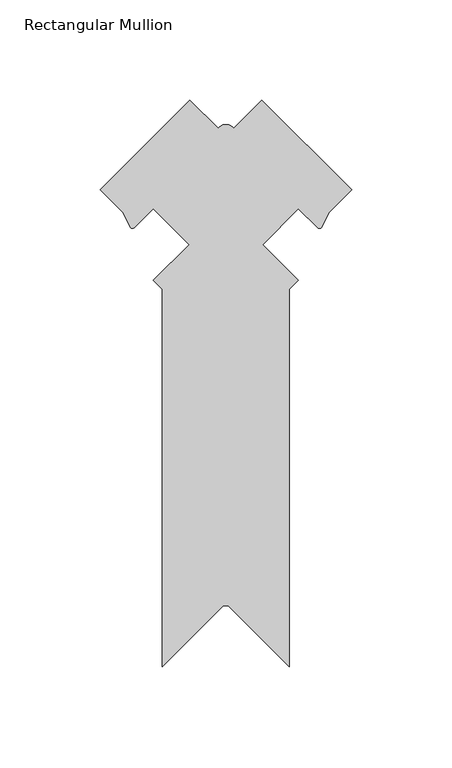
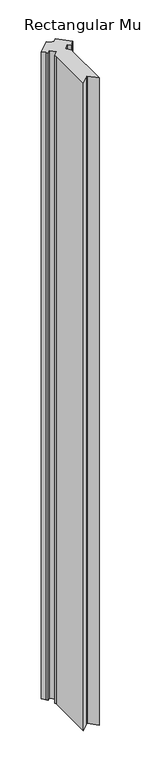
"""IFC4 building model written with IfcOpenShell, lengths in millimetres: member geometry, Rectangular Mullion."""

from ifc_helpers import new_model, si_unit, point, frame, frame_2d, origin, place, context, project, spatial, polyline, circle_curve, trimmed, segment, composite_curve, outline, extrude, source, transform, mapped, element, save


def rectangular_mullion_fcd04b68(model_context):
    return source(origin(), model_context, "Body", "SweptSolid", [
        extrude(outline(composite_curve([segment(polyline([(-64.1317941, -252.4477637), (-94.6117941, -282.9277637), (-94.6117941, -94.3423766), (-99.1019219, -89.8522488), (-81.1414139, -71.8917408), (-99.0753452, -53.9578095)]), True, "CONTINUOUS"), segment(trimmed(circle_curve(frame_2d((221.2597715, -385.5330499)), 461.0387479), [point((-99.0753452, -53.9578095))], [point((-108.4943574, -63.3235815))], True, "CARTESIAN"), True, "CONTINUOUS"), segment(trimmed(circle_curve(frame_2d((-109.638781, -62.0619315)), 1.703369), [point((-108.4943574, -63.3235815))], [point((-110.7607015, -63.3436338))], False, "CARTESIAN"), True, "CONTINUOUS"), segment(polyline([(-110.7607015, -63.3436338), (-114.4983333, -55.8571291), (-125.7235882, -44.6318742), (-80.8223064, 0.2694077), (-66.7186693, -13.8342294)]), True, "CONTINUOUS"), segment(trimmed(circle_curve(frame_2d((-62.8975822, -16.6707649)), 4.7588485), [point((-66.7186693, -13.8342294))], [point((-59.0461965, -13.8755069))], False, "CARTESIAN"), True, "CONTINUOUS"), segment(polyline([(-59.0461965, -13.8755069), (-44.9012819, 0.2694077), (0.0, -44.6318742), (-11.2252549, -55.8571291), (-14.9628868, -63.3436338)]), True, "CONTINUOUS"), segment(trimmed(circle_curve(frame_2d((-16.0848072, -62.0619315)), 1.703369), [point((-14.9628868, -63.3436338))], [point((-17.2292309, -63.3235815))], False, "CARTESIAN"), True, "CONTINUOUS"), segment(trimmed(circle_curve(frame_2d((-346.9833597, -385.5330499)), 461.0387479), [point((-17.2292309, -63.3235815))], [point((-26.6482413, -53.9578111))], True, "CARTESIAN"), True, "CONTINUOUS"), segment(polyline([(-26.6482413, -53.9578111), (-44.5821767, -71.8917465), (-26.6216703, -89.8522528), (-31.1117941, -94.3423766), (-31.1117941, -282.9277635), (-61.5917939, -252.4477637), (-64.1317941, -252.4477637)]), True, "CONTINUOUS")], self_intersect=False)), frame((0.0, 0.0, -2743.2), z_axis=(0.0, 0.0, 1.0), x_axis=(1.0, 0.0, 0.0)), (0.0, 0.0, 1.0), 2743.2),
    ])


if __name__ == "__main__":
    model = new_model("IFC4")
    model_context = context("Model", 3, world=origin())
    ifc_project = project(units=[si_unit("LENGTHUNIT", "METRE", prefix="MILLI")], contexts=[model_context])
    site = spatial("IfcSite", under=ifc_project)
    building = spatial("IfcBuilding", under=site)
    placement = place(None, origin())
    rectangular_mullion_shape = rectangular_mullion_fcd04b68(model_context)
    element("IfcMember", 1, ObjectType="Rectangular Mullion", at=placement, inside=building, context=model_context, shape_type="MappedRepresentation", body=[
        mapped(rectangular_mullion_shape, transform((0.0, 0.0, 0.0), x_axis=(1.0, 0.0, 0.0), y_axis=(0.0, 1.0, 0.0), z_axis=(0.0, 0.0, 1.0))),
    ])
    save(model, "model.ifc")
